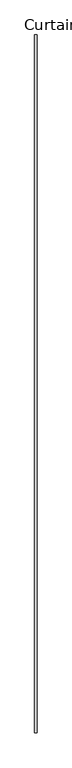
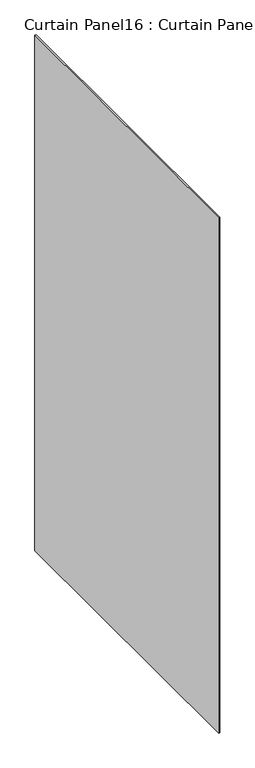
"""IFC4 building model written with IfcOpenShell, lengths in millimetres: plate geometry, Curtain Panel16 : Curtain Panel."""

import ifcopenshell
import ifcopenshell.guid

model = None  # the IFC model being written
_history = None  # IfcOwnerHistory: only IFC2X3 demands one
_inside = {}  # id of a spatial element -> (the spatial element, [elements in it])
_under = {}  # id of a project, library or spatial element -> (it, [spatial elements below it])
_declared = {}  # id of a project -> (the project, [libraries it declares])
_typed = {}  # id of a type object -> (the type object, [elements of that type])
_made_of = {}  # id of a material, layer set ... -> (it, [elements and type objects made of it])


def new_model(schema):
    """Start an empty IFC model of exactly this schema.

    Asked for "IFC4X3", IfcOpenShell would pick the latest addendum, in which some entities
    have other attributes; the version numbers below select the first issue.
    IFC2X3 requires an IfcOwnerHistory on every rooted entity: one is made here for all.
    """
    global model, _history
    if schema == "IFC4X3":
        model = ifcopenshell.file(schema_version=(4, 3, 0, 0))
    else:
        model = ifcopenshell.file(schema=schema)
    _inside.clear()
    _under.clear()
    _declared.clear()
    _typed.clear()
    _made_of.clear()
    _history = None
    if model.schema == "IFC2X3":
        org = make("IfcOrganization", Name="unknown")
        user = make(
            "IfcPersonAndOrganization",
            ThePerson=make("IfcPerson", FamilyName="unknown"),
            TheOrganization=org,
        )
        app = make(
            "IfcApplication",
            ApplicationDeveloper=org,
            Version="unknown",
            ApplicationFullName="unknown",
            ApplicationIdentifier="unknown",
        )
        _history = make(
            "IfcOwnerHistory",
            OwningUser=user,
            OwningApplication=app,
            ChangeAction="ADDED",
            CreationDate=0,
        )
    return model


def make(cls, **values):
    """One entity of the class cls with the attributes given. An attribute that is None is left unset."""
    return model.create_entity(
        cls, **{name: value for name, value in values.items() if value is not None}
    )


def rooted(cls, **values):
    """An entity with a GlobalId (a new one), such as an element, a storey or a relation."""
    return make(cls, GlobalId=ifcopenshell.guid.new(), OwnerHistory=_history, **values)


def si_unit(unit_type, name, prefix=None):
    """IfcSIUnit, for example si_unit("LENGTHUNIT", "METRE", prefix="MILLI")."""
    return make("IfcSIUnit", UnitType=unit_type, Prefix=prefix, Name=name)


def assignment(units):
    """IfcUnitAssignment: the units of a project."""
    return None if units is None else make("IfcUnitAssignment", Units=units)


def point(xyz):
    """IfcCartesianPoint."""
    return None if xyz is None else make("IfcCartesianPoint", Coordinates=xyz)


def direction(xyz):
    """IfcDirection."""
    return None if xyz is None else make("IfcDirection", DirectionRatios=xyz)


def frame(location, z_axis=None, x_axis=None):
    """IfcAxis2Placement3D, a coordinate frame: its origin and axes. An axis left out is left unset."""
    return make(
        "IfcAxis2Placement3D",
        Location=point(location),
        Axis=direction(z_axis),
        RefDirection=direction(x_axis),
    )


def origin():
    """The frame at (0, 0, 0) with its axes left unset."""
    return frame((0.0, 0.0, 0.0))


def place(relative_to, where):
    """IfcLocalPlacement: puts the frame where relative to a parent placement (None: the world)."""
    return make(
        "IfcLocalPlacement", PlacementRelTo=relative_to, RelativePlacement=where
    )


def context(
    kind, dimensions, precision=None, world=None, true_north=None, identifier=None
):
    """IfcGeometricRepresentationContext, for example the 3D "Model" context."""
    return make(
        "IfcGeometricRepresentationContext",
        ContextIdentifier=identifier,
        ContextType=kind,
        CoordinateSpaceDimension=dimensions,
        Precision=precision,
        WorldCoordinateSystem=world,
        TrueNorth=true_north,
    )


def project(units=None, contexts=None):
    """IfcProject with its units and contexts."""
    return rooted(
        "IfcProject",
        Name="project",
        RepresentationContexts=contexts,
        UnitsInContext=assignment(units),
    )


def spatial(cls, under=None, at=None, **own):
    """A site, building, storey or space (cls), placed at a placement, below another one or the project."""
    s = rooted(cls, ObjectPlacement=at, **own)
    if under is not None:
        _under.setdefault(under.id(), (under, []))[1].append(s)
    return s


def polyline(points):
    """IfcPolyline through the points."""
    return make("IfcPolyline", Points=[point(p) for p in points])


def outline(outer, holes=None, kind="AREA"):
    """IfcArbitraryClosedProfileDef: a profile drawn as a closed curve; with holes, ...WithVoids."""
    if holes is None:
        return make("IfcArbitraryClosedProfileDef", ProfileType=kind, OuterCurve=outer)
    return make(
        "IfcArbitraryProfileDefWithVoids",
        ProfileType=kind,
        OuterCurve=outer,
        InnerCurves=holes,
    )


def extrude(swept, where, along, depth):
    """IfcExtrudedAreaSolid: the profile swept, set in the frame where, extruded along a direction by depth."""
    return make(
        "IfcExtrudedAreaSolid",
        SweptArea=swept,
        Position=where,
        ExtrudedDirection=direction(along),
        Depth=depth,
    )


def shape(context_of_items, identifier, shape_type, items):
    """IfcShapeRepresentation: the items that make up one representation, for example the "Body"."""
    return make(
        "IfcShapeRepresentation",
        ContextOfItems=context_of_items,
        RepresentationIdentifier=identifier,
        RepresentationType=shape_type,
        Items=items,
    )


def source(mapping_origin, context_of_items, identifier, shape_type, items):
    """IfcRepresentationMap: a shape defined once, which mapped items show again and again."""
    return make(
        "IfcRepresentationMap",
        MappingOrigin=mapping_origin,
        MappedRepresentation=shape(context_of_items, identifier, shape_type, items),
    )


def transform(
    local_origin,
    x_axis=None,
    y_axis=None,
    z_axis=None,
    scale=None,
    scale2=None,
    scale3=None,
    uniform=True,
):
    """IfcCartesianTransformationOperator3D, or its non-uniform kind. x_axis, y_axis, z_axis: its Axis1, 2, 3."""
    if uniform:
        return make(
            "IfcCartesianTransformationOperator3D",
            Axis1=direction(x_axis),
            Axis2=direction(y_axis),
            LocalOrigin=point(local_origin),
            Scale=scale,
            Axis3=direction(z_axis),
        )
    return make(
        "IfcCartesianTransformationOperator3DnonUniform",
        Axis1=direction(x_axis),
        Axis2=direction(y_axis),
        LocalOrigin=point(local_origin),
        Scale=scale,
        Axis3=direction(z_axis),
        Scale2=scale2,
        Scale3=scale3,
    )


def mapped(mapping_source, mapping_target):
    """IfcMappedItem: shows the shape of a source again, moved by a transform."""
    return make(
        "IfcMappedItem", MappingSource=mapping_source, MappingTarget=mapping_target
    )


def made_of(thing, what):
    """Note that an element or type object is made of a material, layer set ...; save() writes the relation."""
    if what is not None:
        _made_of.setdefault(what.id(), (what, []))[1].append(thing)
    return thing


def element(
    cls,
    number,
    at=None,
    inside=None,
    cuts=None,
    type_object=None,
    material=None,
    context=None,
    identifier="Body",
    shape_type=None,
    held_by="IfcProductDefinitionShape",
    body=None,
    shapes=None,
    **own,
):
    """One element of the class cls, such as IfcWall. Its Tag is "e" and its number.

    at: its placement. inside: the storey or other place that contains it. cuts: it is an
    opening in that element (IfcRelVoidsElement). A single representation is given by context,
    identifier, shape_type and body (its items); several are given by shapes. held_by: the class
    of the entity that holds the representations. save() writes the other relations.
    """
    e = rooted(cls, Tag="e%d" % number, ObjectPlacement=at, **own)
    if body is not None:
        shapes = [shape(context, identifier, shape_type, body)]
    if shapes is not None:
        e.Representation = make(held_by, Representations=shapes)
    if inside is not None:
        _inside.setdefault(inside.id(), (inside, []))[1].append(e)
    if cuts is not None:
        rooted(
            "IfcRelVoidsElement", RelatingBuildingElement=cuts, RelatedOpeningElement=e
        )
    if type_object is not None:
        _typed.setdefault(type_object.id(), (type_object, []))[1].append(e)
    return made_of(e, material)


def aggregate(whole, parts):
    """IfcRelAggregates: a whole, such as a stair, and the parts it consists of."""
    return rooted("IfcRelAggregates", RelatingObject=whole, RelatedObjects=parts)


def save(model, path):
    """Write the relations noted so far, then the file.

    IfcRelAggregates (storeys below a building ...), IfcRelContainedInSpatialStructure (elements
    in a storey), IfcRelDefinesByType, IfcRelAssociatesMaterial and IfcRelDeclares: one each for
    every whole, place, type object, material and project.
    """
    for whole, parts in _under.values():
        aggregate(whole, parts)
    for where, things in _inside.values():
        rooted(
            "IfcRelContainedInSpatialStructure",
            RelatedElements=things,
            RelatingStructure=where,
        )
    for kind, things in _typed.values():
        rooted("IfcRelDefinesByType", RelatedObjects=things, RelatingType=kind)
    for what, things in _made_of.values():
        rooted("IfcRelAssociatesMaterial", RelatedObjects=things, RelatingMaterial=what)
    for by, libraries in _declared.values():
        rooted("IfcRelDeclares", RelatingContext=by, RelatedDefinitions=libraries)
    model.write(path)


def curtain_panel16_curtain_panel_4751c6f6(model_context):
    return source(origin(), model_context, "Body", "SweptSolid", [
        extrude(outline(polyline([(-82190.2104124, 7106.2546625), (-82190.2104124, 8849.8114668), (-82183.8604124, 8849.8114668), (-82183.8604124, 7106.2546625), (-82190.2104124, 7106.2546625)])), frame((0.0, 0.0, 3048.0), z_axis=(0.0, 0.0, 1.0), x_axis=(1.0, 0.0, 0.0)), (0.0, 0.0, 1.0), 2984.5),
    ])


if __name__ == "__main__":
    model = new_model("IFC4")
    model_context = context("Model", 3, world=origin())
    ifc_project = project(units=[si_unit("LENGTHUNIT", "METRE", prefix="MILLI")], contexts=[model_context])
    site = spatial("IfcSite", under=ifc_project)
    building = spatial("IfcBuilding", under=site)
    placement = place(None, origin())
    curtain_panel16_curtain_panel_shape = curtain_panel16_curtain_panel_4751c6f6(model_context)
    element("IfcPlate", 1, ObjectType="Curtain Panel16 : Curtain Panel", at=placement, inside=building, context=model_context, shape_type="MappedRepresentation", body=[
        mapped(curtain_panel16_curtain_panel_shape, transform((0.0, 0.0, 0.0), x_axis=(1.0, 0.0, 0.0), y_axis=(0.0, 1.0, 0.0), z_axis=(0.0, 0.0, 1.0))),
    ])
    save(model, "model.ifc")
